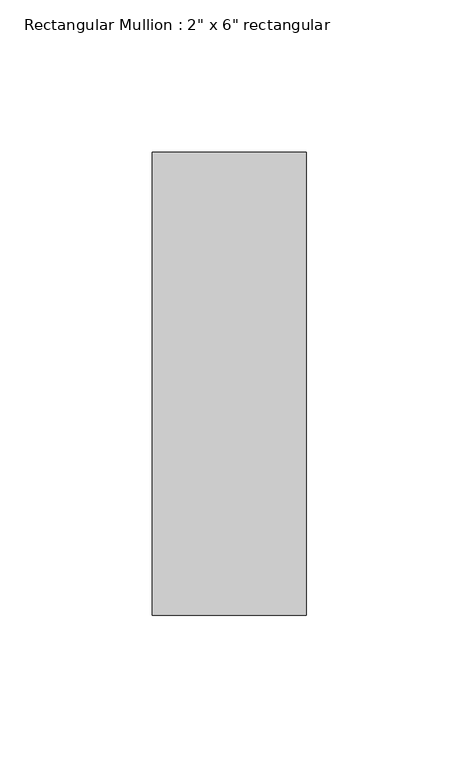
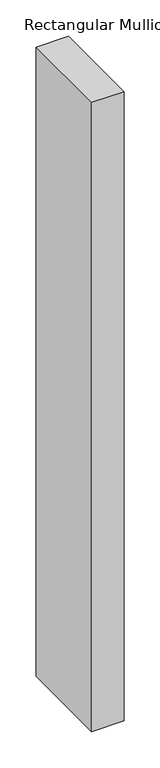
"""IFC4 building model written with IfcOpenShell, lengths in millimetres: member geometry."""

from ifc_helpers import new_model, si_unit, frame, origin, place, context, project, spatial, polyline, outline, extrude, source, transform, mapped, element, save


def member_0a53ce2e(model_context):
    return source(origin(), model_context, "Body", "SweptSolid", [
        extrude(outline(polyline([(0.0, 76.2), (0.0, -76.2), (-50.8, -76.2), (-50.8, 76.2), (0.0, 76.2)])), frame((0.0, 0.0, -1054.1), z_axis=(0.0, 0.0, 1.0), x_axis=(1.0, 0.0, 0.0)), (0.0, 0.0, 1.0), 1054.1),
    ])


if __name__ == "__main__":
    model = new_model("IFC4")
    model_context = context("Model", 3, world=origin())
    ifc_project = project(units=[si_unit("LENGTHUNIT", "METRE", prefix="MILLI")], contexts=[model_context])
    site = spatial("IfcSite", under=ifc_project)
    building = spatial("IfcBuilding", under=site)
    placement = place(None, origin())
    member_shape = member_0a53ce2e(model_context)
    element("IfcMember", 1, ObjectType="Rectangular Mullion : 2\" x 6\" rectangular", at=placement, inside=building, context=model_context, shape_type="MappedRepresentation", body=[
        mapped(member_shape, transform((0.0, 0.0, 0.0), x_axis=(1.0, 0.0, 0.0), y_axis=(0.0, 1.0, 0.0), z_axis=(0.0, 0.0, 1.0))),
    ])
    save(model, "model.ifc")
